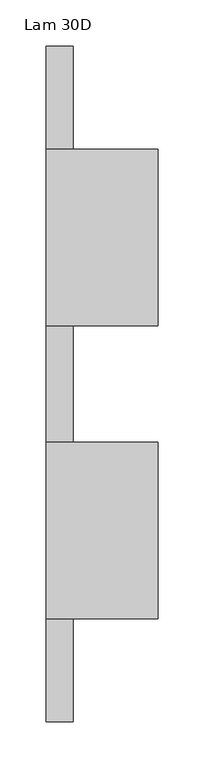
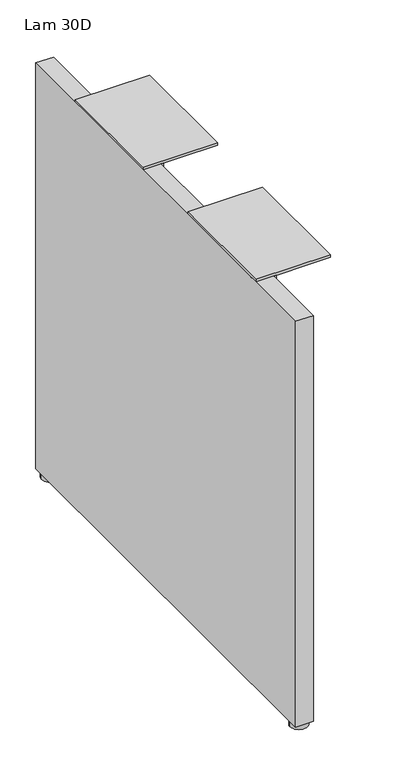
"""IFC4 building model written with IfcOpenShell, lengths in millimetres: furniture geometry, Lam 30D."""

import ifcopenshell
import ifcopenshell.guid

model = None  # the IFC model being written
_history = None  # IfcOwnerHistory: only IFC2X3 demands one
_inside = {}  # id of a spatial element -> (the spatial element, [elements in it])
_under = {}  # id of a project, library or spatial element -> (it, [spatial elements below it])
_declared = {}  # id of a project -> (the project, [libraries it declares])
_typed = {}  # id of a type object -> (the type object, [elements of that type])
_made_of = {}  # id of a material, layer set ... -> (it, [elements and type objects made of it])


def new_model(schema):
    """Start an empty IFC model of exactly this schema.

    Asked for "IFC4X3", IfcOpenShell would pick the latest addendum, in which some entities
    have other attributes; the version numbers below select the first issue.
    IFC2X3 requires an IfcOwnerHistory on every rooted entity: one is made here for all.
    """
    global model, _history
    if schema == "IFC4X3":
        model = ifcopenshell.file(schema_version=(4, 3, 0, 0))
    else:
        model = ifcopenshell.file(schema=schema)
    _inside.clear()
    _under.clear()
    _declared.clear()
    _typed.clear()
    _made_of.clear()
    _history = None
    if model.schema == "IFC2X3":
        org = make("IfcOrganization", Name="unknown")
        user = make(
            "IfcPersonAndOrganization",
            ThePerson=make("IfcPerson", FamilyName="unknown"),
            TheOrganization=org,
        )
        app = make(
            "IfcApplication",
            ApplicationDeveloper=org,
            Version="unknown",
            ApplicationFullName="unknown",
            ApplicationIdentifier="unknown",
        )
        _history = make(
            "IfcOwnerHistory",
            OwningUser=user,
            OwningApplication=app,
            ChangeAction="ADDED",
            CreationDate=0,
        )
    return model


def make(cls, **values):
    """One entity of the class cls with the attributes given. An attribute that is None is left unset."""
    return model.create_entity(
        cls, **{name: value for name, value in values.items() if value is not None}
    )


def rooted(cls, **values):
    """An entity with a GlobalId (a new one), such as an element, a storey or a relation."""
    return make(cls, GlobalId=ifcopenshell.guid.new(), OwnerHistory=_history, **values)


def si_unit(unit_type, name, prefix=None):
    """IfcSIUnit, for example si_unit("LENGTHUNIT", "METRE", prefix="MILLI")."""
    return make("IfcSIUnit", UnitType=unit_type, Prefix=prefix, Name=name)


def assignment(units):
    """IfcUnitAssignment: the units of a project."""
    return None if units is None else make("IfcUnitAssignment", Units=units)


def point(xyz):
    """IfcCartesianPoint."""
    return None if xyz is None else make("IfcCartesianPoint", Coordinates=xyz)


def direction(xyz):
    """IfcDirection."""
    return None if xyz is None else make("IfcDirection", DirectionRatios=xyz)


def frame(location, z_axis=None, x_axis=None):
    """IfcAxis2Placement3D, a coordinate frame: its origin and axes. An axis left out is left unset."""
    return make(
        "IfcAxis2Placement3D",
        Location=point(location),
        Axis=direction(z_axis),
        RefDirection=direction(x_axis),
    )


def origin():
    """The frame at (0, 0, 0) with its axes left unset."""
    return frame((0.0, 0.0, 0.0))


def place(relative_to, where):
    """IfcLocalPlacement: puts the frame where relative to a parent placement (None: the world)."""
    return make(
        "IfcLocalPlacement", PlacementRelTo=relative_to, RelativePlacement=where
    )


def context(
    kind, dimensions, precision=None, world=None, true_north=None, identifier=None
):
    """IfcGeometricRepresentationContext, for example the 3D "Model" context."""
    return make(
        "IfcGeometricRepresentationContext",
        ContextIdentifier=identifier,
        ContextType=kind,
        CoordinateSpaceDimension=dimensions,
        Precision=precision,
        WorldCoordinateSystem=world,
        TrueNorth=true_north,
    )


def project(units=None, contexts=None):
    """IfcProject with its units and contexts."""
    return rooted(
        "IfcProject",
        Name="project",
        RepresentationContexts=contexts,
        UnitsInContext=assignment(units),
    )


def spatial(cls, under=None, at=None, **own):
    """A site, building, storey or space (cls), placed at a placement, below another one or the project."""
    s = rooted(cls, ObjectPlacement=at, **own)
    if under is not None:
        _under.setdefault(under.id(), (under, []))[1].append(s)
    return s


def polyline(points):
    """IfcPolyline through the points."""
    return make("IfcPolyline", Points=[point(p) for p in points])


def circle_curve(where, radius):
    """IfcCircle in the frame where."""
    return make("IfcCircle", Position=where, Radius=radius)


def outline(outer, holes=None, kind="AREA"):
    """IfcArbitraryClosedProfileDef: a profile drawn as a closed curve; with holes, ...WithVoids."""
    if holes is None:
        return make("IfcArbitraryClosedProfileDef", ProfileType=kind, OuterCurve=outer)
    return make(
        "IfcArbitraryProfileDefWithVoids",
        ProfileType=kind,
        OuterCurve=outer,
        InnerCurves=holes,
    )


def extrude(swept, where, along, depth):
    """IfcExtrudedAreaSolid: the profile swept, set in the frame where, extruded along a direction by depth."""
    return make(
        "IfcExtrudedAreaSolid",
        SweptArea=swept,
        Position=where,
        ExtrudedDirection=direction(along),
        Depth=depth,
    )


def shape(context_of_items, identifier, shape_type, items):
    """IfcShapeRepresentation: the items that make up one representation, for example the "Body"."""
    return make(
        "IfcShapeRepresentation",
        ContextOfItems=context_of_items,
        RepresentationIdentifier=identifier,
        RepresentationType=shape_type,
        Items=items,
    )


def source(mapping_origin, context_of_items, identifier, shape_type, items):
    """IfcRepresentationMap: a shape defined once, which mapped items show again and again."""
    return make(
        "IfcRepresentationMap",
        MappingOrigin=mapping_origin,
        MappedRepresentation=shape(context_of_items, identifier, shape_type, items),
    )


def transform(
    local_origin,
    x_axis=None,
    y_axis=None,
    z_axis=None,
    scale=None,
    scale2=None,
    scale3=None,
    uniform=True,
):
    """IfcCartesianTransformationOperator3D, or its non-uniform kind. x_axis, y_axis, z_axis: its Axis1, 2, 3."""
    if uniform:
        return make(
            "IfcCartesianTransformationOperator3D",
            Axis1=direction(x_axis),
            Axis2=direction(y_axis),
            LocalOrigin=point(local_origin),
            Scale=scale,
            Axis3=direction(z_axis),
        )
    return make(
        "IfcCartesianTransformationOperator3DnonUniform",
        Axis1=direction(x_axis),
        Axis2=direction(y_axis),
        LocalOrigin=point(local_origin),
        Scale=scale,
        Axis3=direction(z_axis),
        Scale2=scale2,
        Scale3=scale3,
    )


def mapped(mapping_source, mapping_target):
    """IfcMappedItem: shows the shape of a source again, moved by a transform."""
    return make(
        "IfcMappedItem", MappingSource=mapping_source, MappingTarget=mapping_target
    )


def made_of(thing, what):
    """Note that an element or type object is made of a material, layer set ...; save() writes the relation."""
    if what is not None:
        _made_of.setdefault(what.id(), (what, []))[1].append(thing)
    return thing


def element(
    cls,
    number,
    at=None,
    inside=None,
    cuts=None,
    type_object=None,
    material=None,
    context=None,
    identifier="Body",
    shape_type=None,
    held_by="IfcProductDefinitionShape",
    body=None,
    shapes=None,
    **own,
):
    """One element of the class cls, such as IfcWall. Its Tag is "e" and its number.

    at: its placement. inside: the storey or other place that contains it. cuts: it is an
    opening in that element (IfcRelVoidsElement). A single representation is given by context,
    identifier, shape_type and body (its items); several are given by shapes. held_by: the class
    of the entity that holds the representations. save() writes the other relations.
    """
    e = rooted(cls, Tag="e%d" % number, ObjectPlacement=at, **own)
    if body is not None:
        shapes = [shape(context, identifier, shape_type, body)]
    if shapes is not None:
        e.Representation = make(held_by, Representations=shapes)
    if inside is not None:
        _inside.setdefault(inside.id(), (inside, []))[1].append(e)
    if cuts is not None:
        rooted(
            "IfcRelVoidsElement", RelatingBuildingElement=cuts, RelatedOpeningElement=e
        )
    if type_object is not None:
        _typed.setdefault(type_object.id(), (type_object, []))[1].append(e)
    return made_of(e, material)


def aggregate(whole, parts):
    """IfcRelAggregates: a whole, such as a stair, and the parts it consists of."""
    return rooted("IfcRelAggregates", RelatingObject=whole, RelatedObjects=parts)


def save(model, path):
    """Write the relations noted so far, then the file.

    IfcRelAggregates (storeys below a building ...), IfcRelContainedInSpatialStructure (elements
    in a storey), IfcRelDefinesByType, IfcRelAssociatesMaterial and IfcRelDeclares: one each for
    every whole, place, type object, material and project.
    """
    for whole, parts in _under.values():
        aggregate(whole, parts)
    for where, things in _inside.values():
        rooted(
            "IfcRelContainedInSpatialStructure",
            RelatedElements=things,
            RelatingStructure=where,
        )
    for kind, things in _typed.values():
        rooted("IfcRelDefinesByType", RelatedObjects=things, RelatingType=kind)
    for what, things in _made_of.values():
        rooted("IfcRelAssociatesMaterial", RelatedObjects=things, RelatingMaterial=what)
    for by, libraries in _declared.values():
        rooted("IfcRelDeclares", RelatingContext=by, RelatedDefinitions=libraries)
    model.write(path)


def plane_surface(at):
    """IfcPlane: the flat surface through the origin of the frame at, square to its z axis."""
    return make("IfcPlane", Position=at)


def cylinder_surface(at, radius):
    """IfcCylindricalSurface: all points at the distance radius from the z axis of the frame at."""
    return make("IfcCylindricalSurface", Position=at, Radius=radius)


def advanced_brep(points, edges, surfaces, faces):
    """IfcAdvancedBrep: a solid bounded by faces that lie on surfaces and meet in shared edges.

    An edge is (start, end): straight between two places in points (the first is 0);
    or (start, end, curve); or (start, end, curve, False) where it runs against its curve.
    A face is (place in surfaces, loops), or (place, loops, False) where it looks against
    its surface's normal. A loop lists edges by number (the first is 1), with a minus sign
    where the edge is run from its end to its start. The first loop is the outer one.
    """
    corners = [point(p) for p in points]
    vertices = [make("IfcVertexPoint", VertexGeometry=c) for c in corners]
    made = []
    for start, end, *more in edges:
        made.append(
            make(
                "IfcEdgeCurve",
                EdgeStart=vertices[start],
                EdgeEnd=vertices[end],
                EdgeGeometry=more[0] if more else make("IfcPolyline", Points=[corners[start], corners[end]]),
                SameSense=more[1] if len(more) > 1 else True,
            )
        )
    hull = []
    for where, loops, *sense in faces:
        bounds = []
        for j, loop in enumerate(loops):
            ring = [make("IfcOrientedEdge", EdgeElement=made[abs(k) - 1], Orientation=k > 0) for k in loop]
            bounds.append(
                make(
                    "IfcFaceOuterBound" if j == 0 else "IfcFaceBound",
                    Bound=make("IfcEdgeLoop", EdgeList=ring),
                    Orientation=True,
                )
            )
        hull.append(make("IfcAdvancedFace", Bounds=bounds, FaceSurface=surfaces[where], SameSense=sense[0] if sense else True))
    return make("IfcAdvancedBrep", Outer=make("IfcClosedShell", CfsFaces=hull))


def lam_30d_12e12b95(model_context):
    return source(origin(), model_context, "Body", "SolidModel", [
        extrude(outline(polyline([(-355.4341599, 658.2156222), (-355.4341599, 702.6656222), (-164.9341599, 702.6656222), (-164.9341599, 658.2156222), (-191.9216599, 631.2281222), (-328.4466599, 631.2281222), (-355.4341599, 658.2156222)])), frame((-733.144401, 0.0, 0.0), z_axis=(1.0, 0.0, 0.0), x_axis=(0.0, 1.0, 0.0)), (0.0, 0.0, 1.0), 4.318),
        extrude(outline(polyline([(-39.1609799, 702.6656222), (151.3390201, 702.6656222), (151.3390201, 658.2156222), (124.3515201, 631.2281222), (-12.1734799, 631.2281222), (-39.1609799, 658.2156222), (-39.1609799, 702.6656222)])), frame((-733.144401, 0.0, 0.0), z_axis=(1.0, 0.0, 0.0), x_axis=(0.0, 1.0, 0.0)), (0.0, 0.0, 1.0), 4.318),
        extrude(outline(polyline([(-761.998801, -466.5591599), (-761.998801, 262.4640201), (-733.144401, 262.4640201), (-733.144401, -466.5591599), (-761.998801, -466.5591599)])), frame((0.0, 0.0, 8.6614), z_axis=(0.0, 0.0, 1.0), x_axis=(1.0, 0.0, 0.0)), (0.0, 0.0, 1.0), 694.0042222),
        advanced_brep(
        [(-733.284101, 246.5890201, 0.0), (-761.859101, 246.5890201, 0.0), (-747.571601, 246.5890201, 0.0), (-733.284101, 246.5890201, 7.874), (-761.859101, 246.5890201, 7.874), (-742.809101, 246.5890201, 7.874), (-752.334101, 246.5890201, 7.874), (-742.809101, 246.5890201, 8.6614), (-752.334101, 246.5890201, 8.6614), (-747.571601, 246.5890201, 8.6614)],
        [
            (0, 1, circle_curve(frame((-747.571601, 246.5890201, 0.0), z_axis=(0.0, 0.0, -1.0), x_axis=(-1.0, 0.0, 0.0)), 14.2875)),
            (1, 2),
            (2, 0),
            (1, 0, circle_curve(frame((-747.571601, 246.5890201, 0.0), z_axis=(0.0, 0.0, -1.0), x_axis=(-1.0, 0.0, 0.0)), 14.2875)),
            (3, 4, circle_curve(frame((-747.571601, 246.5890201, 7.874), z_axis=(0.0, 0.0, -1.0), x_axis=(-1.0, 0.0, 0.0)), 14.2875)),
            (4, 1),
            (0, 3),
            (4, 3, circle_curve(frame((-747.571601, 246.5890201, 7.874), z_axis=(0.0, 0.0, -1.0), x_axis=(-1.0, 0.0, 0.0)), 14.2875)),
            (5, 6, circle_curve(frame((-747.571601, 246.5890201, 7.874), z_axis=(0.0, 0.0, -1.0), x_axis=(-1.0, 0.0, 0.0)), 4.7625)),
            (6, 4),
            (3, 5),
            (6, 5, circle_curve(frame((-747.571601, 246.5890201, 7.874), z_axis=(0.0, 0.0, -1.0), x_axis=(-1.0, 0.0, 0.0)), 4.7625)),
            (7, 8, circle_curve(frame((-747.571601, 246.5890201, 8.6614), z_axis=(0.0, 0.0, -1.0), x_axis=(-1.0, 0.0, 0.0)), 4.7625)),
            (8, 6),
            (5, 7),
            (8, 7, circle_curve(frame((-747.571601, 246.5890201, 8.6614), z_axis=(0.0, 0.0, -1.0), x_axis=(-1.0, 0.0, 0.0)), 4.7625)),
            (9, 8),
            (7, 9),
        ],
        [
            plane_surface(frame((-747.571601, 246.5890201, 0.0), z_axis=(0.0, 0.0, -1.0), x_axis=(-1.0, 0.0, 0.0))),
            cylinder_surface(frame((-747.571601, 246.5890201, -2.6032322), z_axis=(0.0, 0.0, 1.0), x_axis=(-1.0, 0.0, 0.0)), 14.2875),
            plane_surface(frame((-747.571601, 246.5890201, 7.874), z_axis=(0.0, 0.0, 1.0), x_axis=(-1.0, 0.0, 0.0))),
            cylinder_surface(frame((-747.571601, 246.5890201, -2.6032322), z_axis=(0.0, 0.0, 1.0), x_axis=(-1.0, 0.0, 0.0)), 4.7625),
            plane_surface(frame((-747.571601, 246.5890201, 8.6614), z_axis=(0.0, 0.0, 1.0), x_axis=(-1.0, 0.0, 0.0))),
        ],
        [
            (0, [[1, 2, 3]]),
            (0, [[4, -3, -2]]),
            (1, [[5, 6, -1, 7]]),
            (1, [[8, -7, -4, -6]]),
            (2, [[9, 10, -5, 11]]),
            (2, [[12, -11, -8, -10]]),
            (3, [[13, 14, -9, 15]]),
            (3, [[16, -15, -12, -14]]),
            (4, [[17, -13, 18]]),
            (4, [[-18, -16, -17]]),
        ],
    ),
        extrude(outline(polyline([(-641.348801, -164.9341599), (-641.348801, -355.4341599), (-761.998801, -355.4341599), (-761.998801, -164.9341599), (-641.348801, -164.9341599)])), frame((0.0, 0.0, 702.6656222), z_axis=(0.0, 0.0, 1.0), x_axis=(1.0, 0.0, 0.0)), (0.0, 0.0, 1.0), 4.3434),
        extrude(outline(polyline([(-641.348801, 151.3390201), (-641.348801, -39.1609799), (-761.998801, -39.1609799), (-761.998801, 151.3390201), (-641.348801, 151.3390201)])), frame((0.0, 0.0, 702.6656222), z_axis=(0.0, 0.0, 1.0), x_axis=(1.0, 0.0, 0.0)), (0.0, 0.0, 1.0), 4.3434),
        advanced_brep(
        [(-733.284101, -450.6841599, 0.0), (-761.859101, -450.6841599, 0.0), (-747.571601, -450.6841599, 0.0), (-733.284101, -450.6841599, 7.874), (-761.859101, -450.6841599, 7.874), (-742.809101, -450.6841599, 7.874), (-752.334101, -450.6841599, 7.874), (-742.809101, -450.6841599, 8.6614), (-752.334101, -450.6841599, 8.6614), (-747.571601, -450.6841599, 8.6614)],
        [
            (0, 1, circle_curve(frame((-747.571601, -450.6841599, 0.0), z_axis=(0.0, 0.0, -1.0), x_axis=(-1.0, 0.0, 0.0)), 14.2875)),
            (1, 2),
            (2, 0),
            (1, 0, circle_curve(frame((-747.571601, -450.6841599, 0.0), z_axis=(0.0, 0.0, -1.0), x_axis=(-1.0, 0.0, 0.0)), 14.2875)),
            (3, 4, circle_curve(frame((-747.571601, -450.6841599, 7.874), z_axis=(0.0, 0.0, -1.0), x_axis=(-1.0, 0.0, 0.0)), 14.2875)),
            (4, 1),
            (0, 3),
            (4, 3, circle_curve(frame((-747.571601, -450.6841599, 7.874), z_axis=(0.0, 0.0, -1.0), x_axis=(-1.0, 0.0, 0.0)), 14.2875)),
            (5, 6, circle_curve(frame((-747.571601, -450.6841599, 7.874), z_axis=(0.0, 0.0, -1.0), x_axis=(-1.0, 0.0, 0.0)), 4.7625)),
            (6, 4),
            (3, 5),
            (6, 5, circle_curve(frame((-747.571601, -450.6841599, 7.874), z_axis=(0.0, 0.0, -1.0), x_axis=(-1.0, 0.0, 0.0)), 4.7625)),
            (7, 8, circle_curve(frame((-747.571601, -450.6841599, 8.6614), z_axis=(0.0, 0.0, -1.0), x_axis=(-1.0, 0.0, 0.0)), 4.7625)),
            (8, 6),
            (5, 7),
            (8, 7, circle_curve(frame((-747.571601, -450.6841599, 8.6614), z_axis=(0.0, 0.0, -1.0), x_axis=(-1.0, 0.0, 0.0)), 4.7625)),
            (9, 8),
            (7, 9),
        ],
        [
            plane_surface(frame((-747.571601, -450.6841599, 0.0), z_axis=(0.0, 0.0, -1.0), x_axis=(-1.0, 0.0, 0.0))),
            cylinder_surface(frame((-747.571601, -450.6841599, -2.6032322), z_axis=(0.0, 0.0, 1.0), x_axis=(-1.0, 0.0, 0.0)), 14.2875),
            plane_surface(frame((-747.571601, -450.6841599, 7.874), z_axis=(0.0, 0.0, 1.0), x_axis=(-1.0, 0.0, 0.0))),
            cylinder_surface(frame((-747.571601, -450.6841599, -2.6032322), z_axis=(0.0, 0.0, 1.0), x_axis=(-1.0, 0.0, 0.0)), 4.7625),
            plane_surface(frame((-747.571601, -450.6841599, 8.6614), z_axis=(0.0, 0.0, 1.0), x_axis=(-1.0, 0.0, 0.0))),
        ],
        [
            (0, [[1, 2, 3]]),
            (0, [[4, -3, -2]]),
            (1, [[5, 6, -1, 7]]),
            (1, [[8, -7, -4, -6]]),
            (2, [[9, 10, -5, 11]]),
            (2, [[12, -11, -8, -10]]),
            (3, [[13, 14, -9, 15]]),
            (3, [[16, -15, -12, -14]]),
            (4, [[17, -13, 18]]),
            (4, [[-18, -16, -17]]),
        ],
    ),
    ])


if __name__ == "__main__":
    model = new_model("IFC4")
    model_context = context("Model", 3, world=origin())
    ifc_project = project(units=[si_unit("LENGTHUNIT", "METRE", prefix="MILLI")], contexts=[model_context])
    site = spatial("IfcSite", under=ifc_project)
    building = spatial("IfcBuilding", under=site)
    placement = place(None, origin())
    lam_30d_shape = lam_30d_12e12b95(model_context)
    element("IfcFurniture", 1, ObjectType="Lam 30D", at=placement, inside=building, context=model_context, shape_type="MappedRepresentation", body=[
        mapped(lam_30d_shape, transform((0.0, 0.0, 0.0), x_axis=(1.0, 0.0, 0.0), y_axis=(0.0, 1.0, 0.0), z_axis=(0.0, 0.0, 1.0))),
    ])
    save(model, "model.ifc")
